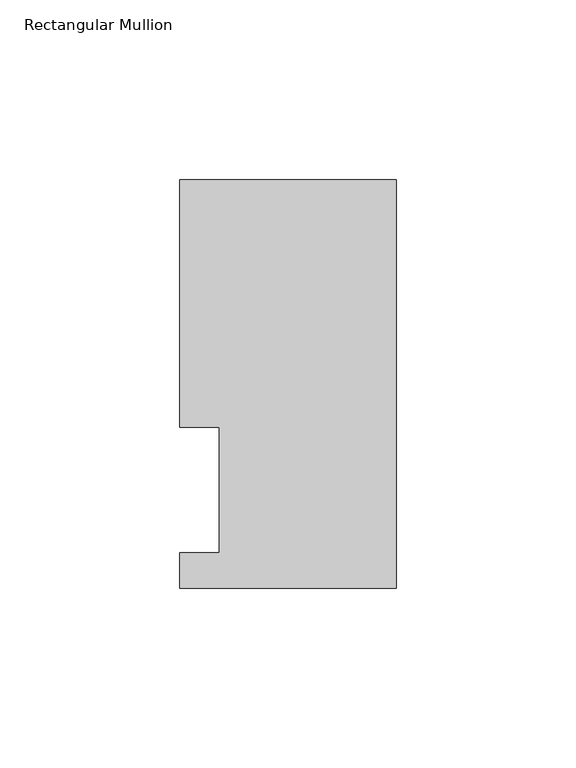
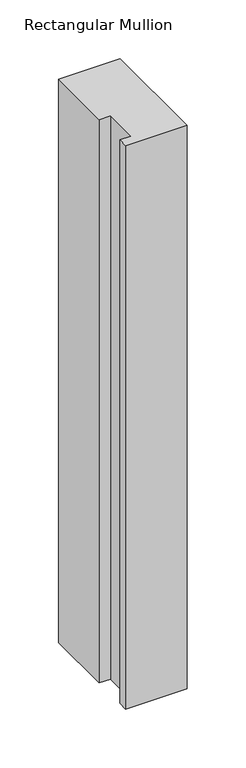
"""IFC4 building model written with IfcOpenShell, lengths in millimetres: member geometry, Rectangular Mullion."""

from ifc_helpers import new_model, si_unit, frame, origin, place, context, project, spatial, polyline, outline, extrude, source, transform, mapped, element, save


def rectangular_mullion_2ee124d8(model_context):
    return source(origin(), model_context, "Body", "SweptSolid", [
        extrude(outline(polyline([(-60.325, 113.8189875), (0.0, 113.8189875), (0.0, 0.0269875), (-60.3249999, 0.0269875), (-60.3249999, 9.9329875), (-49.2125, 9.9329875), (-49.2125, 44.8579875), (-60.325, 44.8579875), (-60.325, 113.8189875)])), frame((0.0, 0.0, -584.2047625), z_axis=(0.0, 0.0, 1.0), x_axis=(1.0, 0.0, 0.0)), (0.0, 0.0, 1.0), 584.2047625),
    ])


if __name__ == "__main__":
    model = new_model("IFC4")
    model_context = context("Model", 3, world=origin())
    ifc_project = project(units=[si_unit("LENGTHUNIT", "METRE", prefix="MILLI")], contexts=[model_context])
    site = spatial("IfcSite", under=ifc_project)
    building = spatial("IfcBuilding", under=site)
    placement = place(None, origin())
    rectangular_mullion_shape = rectangular_mullion_2ee124d8(model_context)
    element("IfcMember", 1, ObjectType="Rectangular Mullion", at=placement, inside=building, context=model_context, shape_type="MappedRepresentation", body=[
        mapped(rectangular_mullion_shape, transform((0.0, 0.0, 0.0), x_axis=(1.0, 0.0, 0.0), y_axis=(0.0, 1.0, 0.0), z_axis=(0.0, 0.0, 1.0))),
    ])
    save(model, "model.ifc")
